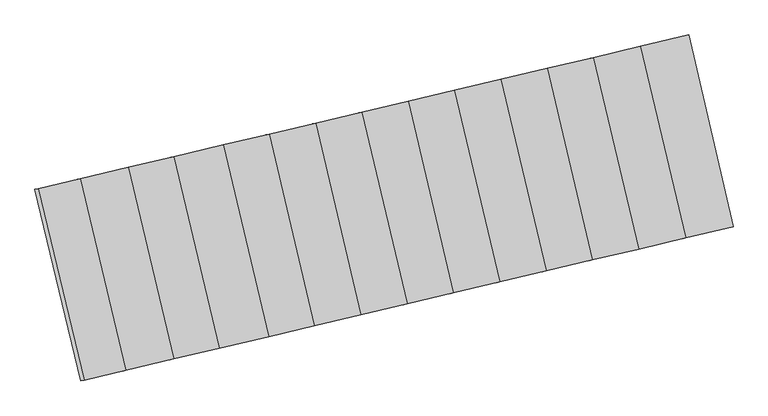
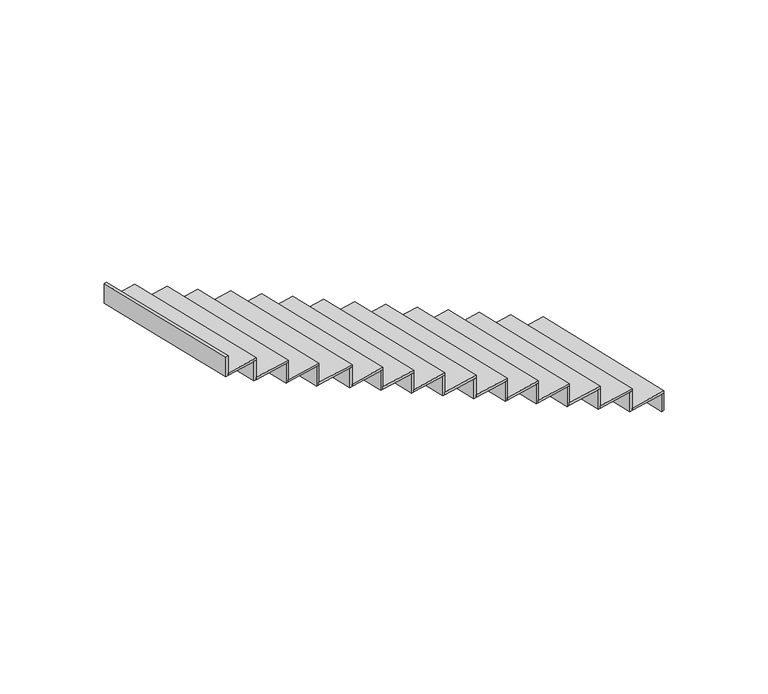
"""IFC4 building model written with IfcOpenShell, lengths in millimetres: stair flight geometry."""

from ifc_helpers import new_model, si_unit, frame, origin, place, context, project, spatial, polyline, outline, extrude, source, transform, mapped, element, save


def stair_flight_daaa7a2d(model_context):
    return source(origin(), model_context, "Body", "SweptSolid", [
        extrude(outline(polyline([(79677.4228792, 4715.9850169), (79696.886966, 4720.5850116), (79966.6874098, 3552.0920074), (79947.2241769, 3547.4883143), (79677.4228792, 4715.9850169)])), frame((0.0, 0.0, -2386.5), z_axis=(0.0, 0.0, 1.0), x_axis=(1.0, 0.0, 0.0)), (0.0, 0.0, 1.0), 141.5197413),
        extrude(outline(polyline([(79678.3982041, 3483.9021525), (79402.4111378, 4650.9908271), (79696.886966, 4720.5850116), (79966.6874098, 3552.0920074), (79678.3982041, 3483.9021525)])), frame((0.0, 0.0, -2244.9802587), z_axis=(0.0, 0.0, 1.0), x_axis=(1.0, 0.0, 0.0)), (0.0, 0.0, 1.0), 20.0),
        extrude(outline(polyline([(79382.9473093, 4646.3908935), (79402.4111378, 4650.9908271), (79678.3982041, 3483.9021525), (79658.9352491, 3479.2985252), (79382.9473093, 4646.3908935)])), frame((0.0, 0.0, -2244.9802587), z_axis=(0.0, 0.0, 1.0), x_axis=(1.0, 0.0, 0.0)), (0.0, 0.0, 1.0), 161.5197413),
        extrude(outline(polyline([(79391.31971, 3415.9986707), (79115.31976, 4583.1418276), (79402.4111378, 4650.9908271), (79678.3982041, 3483.9021525), (79391.31971, 3415.9986707)])), frame((0.0, 0.0, -2083.4605175), z_axis=(0.0, 0.0, 1.0), x_axis=(1.0, 0.0, 0.0)), (0.0, 0.0, 1.0), 20.0),
        extrude(outline(polyline([(79095.8559315, 4578.541894), (79115.31976, 4583.1418276), (79391.31971, 3415.9986707), (79371.8567551, 3411.3950433), (79095.8559315, 4578.541894)])), frame((0.0, 0.0, -2083.4605175), z_axis=(0.0, 0.0, 1.0), x_axis=(1.0, 0.0, 0.0)), (0.0, 0.0, 1.0), 161.5197413),
        extrude(outline(polyline([(79108.9763601, 3349.2152058), (78832.9637389, 4516.4119464), (79115.31976, 4583.1418276), (79391.31971, 3415.9986707), (79108.9763601, 3349.2152058)])), frame((0.0, 0.0, -1921.9407762), z_axis=(0.0, 0.0, 1.0), x_axis=(1.0, 0.0, 0.0)), (0.0, 0.0, 1.0), 20.0),
        extrude(outline(polyline([(78813.4999105, 4511.8120128), (78832.9637389, 4516.4119464), (79108.9763601, 3349.2152058), (79089.5134052, 3344.6115784), (78813.4999105, 4511.8120128)])), frame((0.0, 0.0, -1921.9407762), z_axis=(0.0, 0.0, 1.0), x_axis=(1.0, 0.0, 0.0)), (0.0, 0.0, 1.0), 161.5197413),
        extrude(outline(polyline([(78826.7634518, 3282.4625946), (78550.7381652, 4449.7128942), (78832.9637389, 4516.4119464), (79108.9763601, 3349.2152058), (78826.7634518, 3282.4625946)])), frame((0.0, 0.0, -1760.421035), z_axis=(0.0, 0.0, 1.0), x_axis=(1.0, 0.0, 0.0)), (0.0, 0.0, 1.0), 20.0),
        extrude(outline(polyline([(78531.2743368, 4445.1129606), (78550.7381652, 4449.7128942), (78826.7634518, 3282.4625946), (78807.3004969, 3277.8589672), (78531.2743368, 4445.1129606)])), frame((0.0, 0.0, -1760.421035), z_axis=(0.0, 0.0, 1.0), x_axis=(1.0, 0.0, 0.0)), (0.0, 0.0, 1.0), 161.5197413),
        extrude(outline(polyline([(78544.8117938, 3215.7717777), (78268.7738536, 4383.0755867), (78550.7381652, 4449.7128942), (78826.7634518, 3282.4625946), (78544.8117938, 3215.7717777)])), frame((0.0, 0.0, -1598.9012937), z_axis=(0.0, 0.0, 1.0), x_axis=(1.0, 0.0, 0.0)), (0.0, 0.0, 1.0), 20.0),
        extrude(outline(polyline([(78249.3100251, 4378.475653), (78268.7738536, 4383.0755867), (78544.8117938, 3215.7717777), (78525.3488388, 3211.1681503), (78249.3100251, 4378.475653)])), frame((0.0, 0.0, -1598.9012937), z_axis=(0.0, 0.0, 1.0), x_axis=(1.0, 0.0, 0.0)), (0.0, 0.0, 1.0), 161.5197413),
        extrude(outline(polyline([(78262.3377576, 3148.9574012), (77986.2871403, 4316.3148187), (78268.7738536, 4383.0755867), (78544.8117938, 3215.7717777), (78262.3377576, 3148.9574012)])), frame((0.0, 0.0, -1437.3815524), z_axis=(0.0, 0.0, 1.0), x_axis=(1.0, 0.0, 0.0)), (0.0, 0.0, 1.0), 20.0),
        extrude(outline(polyline([(77966.8233118, 4311.7148851), (77986.2871403, 4316.3148187), (78262.3377576, 3148.9574012), (78242.8748026, 3144.3537738), (77966.8233118, 4311.7148851)])), frame((0.0, 0.0, -1437.3815524), z_axis=(0.0, 0.0, 1.0), x_axis=(1.0, 0.0, 0.0)), (0.0, 0.0, 1.0), 161.5197413),
        extrude(outline(polyline([(77980.1249716, 3082.2048189), (77704.061689, 4249.6157954), (77986.2871403, 4316.3148187), (78262.3377576, 3148.9574012), (77980.1249716, 3082.2048189)])), frame((0.0, 0.0, -1275.8618112), z_axis=(0.0, 0.0, 1.0), x_axis=(1.0, 0.0, 0.0)), (0.0, 0.0, 1.0), 20.0),
        extrude(outline(polyline([(77684.5978606, 4245.0158618), (77704.061689, 4249.6157954), (77980.1249716, 3082.2048189), (77960.6620167, 3077.6011916), (77684.5978606, 4245.0158618)])), frame((0.0, 0.0, -1275.8618112), z_axis=(0.0, 0.0, 1.0), x_axis=(1.0, 0.0, 0.0)), (0.0, 0.0, 1.0), 161.5197413),
        extrude(outline(polyline([(77697.9120633, 3015.4522077), (77421.8361153, 4182.9167432), (77704.061689, 4249.6157954), (77980.1249716, 3082.2048189), (77697.9120633, 3015.4522077)])), frame((0.0, 0.0, -1114.3420699), z_axis=(0.0, 0.0, 1.0), x_axis=(1.0, 0.0, 0.0)), (0.0, 0.0, 1.0), 20.0),
        extrude(outline(polyline([(77402.3722869, 4178.3168095), (77421.8361153, 4182.9167432), (77697.9120633, 3015.4522077), (77678.4491083, 3010.8485804), (77402.3722869, 4178.3168095)])), frame((0.0, 0.0, -1114.3420699), z_axis=(0.0, 0.0, 1.0), x_axis=(1.0, 0.0, 0.0)), (0.0, 0.0, 1.0), 161.5197413),
        extrude(outline(polyline([(77415.6992774, 2948.6996255), (77139.6106641, 4116.2177199), (77421.8361153, 4182.9167432), (77697.9120633, 3015.4522077), (77415.6992774, 2948.6996255)])), frame((0.0, 0.0, -952.8223286), z_axis=(0.0, 0.0, 1.0), x_axis=(1.0, 0.0, 0.0)), (0.0, 0.0, 1.0), 20.0),
        extrude(outline(polyline([(77120.1468356, 4111.6177862), (77139.6106641, 4116.2177199), (77415.6992774, 2948.6996255), (77396.2363224, 2944.0959981), (77120.1468356, 4111.6177862)])), frame((0.0, 0.0, -952.8223286), z_axis=(0.0, 0.0, 1.0), x_axis=(1.0, 0.0, 0.0)), (0.0, 0.0, 1.0), 161.5197413),
        extrude(outline(polyline([(77136.3219759, 2882.6177283), (76860.2208245, 4050.1888435), (77139.6106641, 4116.2177199), (77415.6992774, 2948.6996255), (77136.3219759, 2882.6177283)])), frame((0.0, 0.0, -791.3025874), z_axis=(0.0, 0.0, 1.0), x_axis=(1.0, 0.0, 0.0)), (0.0, 0.0, 1.0), 20.0),
        extrude(outline(polyline([(76840.756996, 4045.5889099), (76860.2208245, 4050.1888435), (77136.3219759, 2882.6177283), (77116.8590209, 2878.014101), (76840.756996, 4045.5889099)])), frame((0.0, 0.0, -791.3025874), z_axis=(0.0, 0.0, 1.0), x_axis=(1.0, 0.0, 0.0)), (0.0, 0.0, 1.0), 161.5197413),
        extrude(outline(polyline([(76835.0862032, 2811.3655856), (76558.9715328, 3978.99387), (76860.2208245, 4050.1888435), (77136.3219759, 2882.6177283), (76835.0862032, 2811.3655856)])), frame((0.0, 0.0, -629.7828461), z_axis=(0.0, 0.0, 1.0), x_axis=(1.0, 0.0, 0.0)), (0.0, 0.0, 1.0), 20.0),
        extrude(outline(polyline([(76539.5077043, 3974.3939364), (76558.9715328, 3978.99387), (76835.0862032, 2811.3655856), (76815.6232483, 2806.7619583), (76539.5077043, 3974.3939364)])), frame((0.0, 0.0, -629.7828461), z_axis=(0.0, 0.0, 1.0), x_axis=(1.0, 0.0, 0.0)), (0.0, 0.0, 1.0), 161.5197413),
        extrude(outline(polyline([(76557.477967, 2745.7021305), (76281.3508378, 3913.3830999), (76558.9715328, 3978.99387), (76835.0862032, 2811.3655856), (76557.477967, 2745.7021305)])), frame((0.0, 0.0, -468.2631049), z_axis=(0.0, 0.0, 1.0), x_axis=(1.0, 0.0, 0.0)), (0.0, 0.0, 1.0), 20.0),
        extrude(outline(polyline([(76261.8870094, 3908.7831663), (76281.3508378, 3913.3830999), (76557.477967, 2745.7021305), (76538.015012, 2741.0985031), (76261.8870094, 3908.7831663)])), frame((0.0, 0.0, -468.2631049), z_axis=(0.0, 0.0, 1.0), x_axis=(1.0, 0.0, 0.0)), (0.0, 0.0, 1.0), 161.5197413),
        extrude(outline(polyline([(76265.7948314, 2676.7094998), (75989.6546119, 3844.4458256), (76281.3508378, 3913.3830999), (76557.477967, 2745.7021305), (76265.7948314, 2676.7094998)])), frame((0.0, 0.0, -306.7433636), z_axis=(0.0, 0.0, 1.0), x_axis=(1.0, 0.0, 0.0)), (0.0, 0.0, 1.0), 20.0),
        extrude(outline(polyline([(75970.1907835, 3839.8458919), (75989.6546119, 3844.4458256), (76265.7948314, 2676.7094998), (76246.3318764, 2672.1058725), (75970.1907835, 3839.8458919)])), frame((0.0, 0.0, -306.7433636), z_axis=(0.0, 0.0, 1.0), x_axis=(1.0, 0.0, 0.0)), (0.0, 0.0, 1.0), 161.5197413),
        extrude(outline(polyline([(75711.8487383, 3778.7912918), (75731.3126985, 3783.3912565), (76011.6056322, 2616.5854152), (75992.1425586, 2611.9817598), (75711.8487383, 3778.7912918)])), frame((0.0, 0.0, -145.2236223), z_axis=(0.0, 0.0, 1.0), x_axis=(1.0, 0.0, 0.0)), (0.0, 0.0, 1.0), 161.5197413),
        extrude(outline(polyline([(76011.6056322, 2616.5854152), (75731.3126985, 3783.3912565), (75989.6546119, 3844.4458256), (76265.7948314, 2676.7094998), (76011.6056322, 2616.5854152)])), frame((0.0, 0.0, -145.2236223), z_axis=(0.0, 0.0, 1.0), x_axis=(1.0, 0.0, 0.0)), (0.0, 0.0, 1.0), 20.0),
    ])


if __name__ == "__main__":
    model = new_model("IFC4")
    model_context = context("Model", 3, world=origin())
    ifc_project = project(units=[si_unit("LENGTHUNIT", "METRE", prefix="MILLI")], contexts=[model_context])
    site = spatial("IfcSite", under=ifc_project)
    building = spatial("IfcBuilding", under=site)
    placement = place(None, origin())
    stair_flight_shape = stair_flight_daaa7a2d(model_context)
    element("IfcStairFlight", 1, at=placement, inside=building, context=model_context, shape_type="MappedRepresentation", body=[
        mapped(stair_flight_shape, transform((0.0, 0.0, 0.0), x_axis=(1.0, 0.0, 0.0), y_axis=(0.0, 1.0, 0.0), z_axis=(0.0, 0.0, 1.0))),
    ])
    save(model, "model.ifc")
